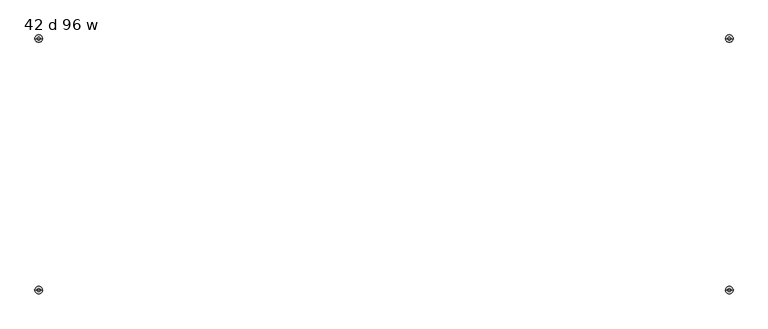
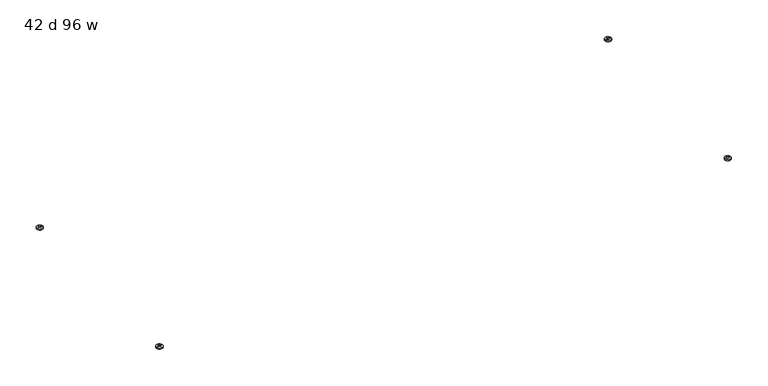
"""IFC4 building model written with IfcOpenShell, lengths in millimetres: furniture geometry, 42 d 96 w."""

from ifc_helpers import new_model, si_unit, point, frame, origin, place, context, project, spatial, circle_curve, ellipse_curve, trimmed, source, transform, mapped, element, save
from ifc_brep_helpers import plane_surface, cylinder_surface, revolved_surface, advanced_brep


def furniture_42_d_96_w_a3ed6f2b(model_context):
    return source(origin(), model_context, "Body", "AdvancedBrep", [
        advanced_brep(
        [(-1148.5322731, -419.8439953, 0.0), (-1153.6112333, -419.8439953, 0.0), (-1151.0717532, -419.8439953, 0.0), (-1138.374498, -419.8439953, 3.6684262), (-1163.7690084, -419.8439953, 3.6684262), (-1138.374498, -419.8439953, 7.8731999), (-1163.7690084, -419.8439953, 7.8731999), (-1146.3120222, -419.8439953, 7.8731999), (-1155.8314842, -419.8439953, 7.8731999), (-1146.3120222, -419.8439953, 12.2237497), (-1155.8314842, -419.8439953, 12.2237497), (-1151.0717532, -419.8439953, 12.2237497)],
        [
            (0, 1, circle_curve(frame((-1151.0717532, -419.8439953, 0.0), z_axis=(0.0, 0.0, -1.0), x_axis=(-1.0, 0.0, 0.0)), 2.5394801)),
            (1, 2),
            (2, 0),
            (1, 0, circle_curve(frame((-1151.0717532, -419.8439953, 0.0), z_axis=(0.0, 0.0, -1.0), x_axis=(-1.0, 0.0, 0.0)), 2.5394801)),
            (0, 3, circle_curve(frame((-1148.5322731, -419.8439953, 15.8975186), z_axis=(0.0, -1.0, 0.0), x_axis=(1.0, 0.0, 0.0)), 15.8975186)),
            (3, 4, circle_curve(frame((-1151.0717532, -419.8439953, 3.6684262), z_axis=(0.0, 0.0, -1.0), x_axis=(-1.0, 0.0, 0.0)), 12.6972552)),
            (4, 1, circle_curve(frame((-1153.6112333, -419.8439953, 15.8975186), z_axis=(0.0, -1.0, 0.0), x_axis=(-1.0, 0.0, 0.0)), 15.8975186)),
            (4, 3, circle_curve(frame((-1151.0717532, -419.8439953, 3.6684262), z_axis=(0.0, 0.0, -1.0), x_axis=(-1.0, 0.0, 0.0)), 12.6972552)),
            (3, 5),
            (5, 6, circle_curve(frame((-1151.0717532, -419.8439953, 7.8731999), z_axis=(0.0, 0.0, -1.0), x_axis=(-1.0, 0.0, 0.0)), 12.6972552)),
            (6, 4),
            (6, 5, circle_curve(frame((-1151.0717532, -419.8439953, 7.8731999), z_axis=(0.0, 0.0, -1.0), x_axis=(-1.0, 0.0, 0.0)), 12.6972552)),
            (5, 7),
            (7, 8, circle_curve(frame((-1151.0717532, -419.8439953, 7.8731999), z_axis=(0.0, 0.0, -1.0), x_axis=(-1.0, 0.0, 0.0)), 4.759731)),
            (8, 6),
            (8, 7, circle_curve(frame((-1151.0717532, -419.8439953, 7.8731999), z_axis=(0.0, 0.0, -1.0), x_axis=(-1.0, 0.0, 0.0)), 4.759731)),
            (7, 9),
            (9, 10, circle_curve(frame((-1151.0717532, -419.8439953, 12.2237497), z_axis=(0.0, 0.0, -1.0), x_axis=(-1.0, 0.0, 0.0)), 4.759731)),
            (10, 8),
            (10, 9, circle_curve(frame((-1151.0717532, -419.8439953, 12.2237497), z_axis=(0.0, 0.0, -1.0), x_axis=(-1.0, 0.0, 0.0)), 4.759731)),
            (9, 11),
            (11, 10),
        ],
        [
            plane_surface(frame((-1151.0717532, -419.8439953, 0.0), z_axis=(0.0, 0.0, -1.0), x_axis=(-1.0, 0.0, 0.0))),
            revolved_surface(trimmed(ellipse_curve(frame((-1153.6112333, -419.8439953, 15.8975186), z_axis=(0.0, 1.0, 0.0), x_axis=(-1.0, 0.0, 0.0)), 15.8975186, 15.8975186), [point((-1153.6112333, -419.8439953, 0.0))], [point((-1163.7690084, -419.8439953, 3.6684262))], True, "CARTESIAN"), (-1151.0717532, -419.8439953, 12.2237497), (0.0, 0.0, 1.0)),
            cylinder_surface(frame((-1151.0717532, -419.8439953, 12.2237497), z_axis=(0.0, 0.0, 1.0), x_axis=(-1.0, 0.0, 0.0)), 12.6972552),
            plane_surface(frame((-1151.0717532, -419.8439953, 7.8731999), z_axis=(0.0, 0.0, 1.0), x_axis=(-1.0, 0.0, 0.0))),
            cylinder_surface(frame((-1151.0717532, -419.8439953, 12.2237497), z_axis=(0.0, 0.0, 1.0), x_axis=(-1.0, 0.0, 0.0)), 4.759731),
            plane_surface(frame((-1151.0717532, -419.8439953, 12.2237497), z_axis=(0.0, 0.0, 1.0), x_axis=(-1.0, 0.0, 0.0))),
        ],
        [
            (0, [[1, 2, 3]]),
            (0, [[-2, 4, -3]]),
            (1, [[-1, 5, 6, 7]]),
            (1, [[-4, -7, 8, -5]]),
            (2, [[-6, 9, 10, 11]]),
            (2, [[-8, -11, 12, -9]]),
            (3, [[-10, 13, 14, 15]]),
            (3, [[-12, -15, 16, -13]]),
            (4, [[-14, 17, 18, 19]]),
            (4, [[-16, -19, 20, -17]]),
            (5, [[-18, 21, 22]]),
            (5, [[-20, -22, -21]]),
        ],
    ),
        advanced_brep(
        [(-1151.0717532, 419.8439953, 0.0), (-1153.6112333, 419.8439953, 0.0), (-1148.5322731, 419.8439953, 0.0), (-1163.7690084, 419.8439953, 3.6684262), (-1138.374498, 419.8439953, 3.6684262), (-1163.7690084, 419.8439953, 7.8731999), (-1138.374498, 419.8439953, 7.8731999), (-1155.8314842, 419.8439953, 7.8731999), (-1146.3120222, 419.8439953, 7.8731999), (-1155.8314842, 419.8439953, 12.2237497), (-1146.3120222, 419.8439953, 12.2237497), (-1151.0717532, 419.8439953, 12.2237497)],
        [
            (0, 1),
            (1, 2, circle_curve(frame((-1151.0717532, 419.8439953, 0.0), z_axis=(0.0, 0.0, -1.0), x_axis=(-1.0, 0.0, 0.0)), 2.5394801)),
            (2, 0),
            (2, 1, circle_curve(frame((-1151.0717532, 419.8439953, 0.0), z_axis=(0.0, 0.0, -1.0), x_axis=(-1.0, 0.0, 0.0)), 2.5394801)),
            (1, 3, circle_curve(frame((-1153.6112333, 419.8439953, 15.8975186), z_axis=(0.0, 1.0, 0.0), x_axis=(-1.0, 0.0, 0.0)), 15.8975186)),
            (3, 4, circle_curve(frame((-1151.0717532, 419.8439953, 3.6684262), z_axis=(0.0, 0.0, -1.0), x_axis=(-1.0, 0.0, 0.0)), 12.6972552)),
            (4, 2, circle_curve(frame((-1148.5322731, 419.8439953, 15.8975186), z_axis=(0.0, 1.0, 0.0), x_axis=(1.0, 0.0, 0.0)), 15.8975186)),
            (4, 3, circle_curve(frame((-1151.0717532, 419.8439953, 3.6684262), z_axis=(0.0, 0.0, -1.0), x_axis=(-1.0, 0.0, 0.0)), 12.6972552)),
            (3, 5),
            (5, 6, circle_curve(frame((-1151.0717532, 419.8439953, 7.8731999), z_axis=(0.0, 0.0, -1.0), x_axis=(-1.0, 0.0, 0.0)), 12.6972552)),
            (6, 4),
            (6, 5, circle_curve(frame((-1151.0717532, 419.8439953, 7.8731999), z_axis=(0.0, 0.0, -1.0), x_axis=(-1.0, 0.0, 0.0)), 12.6972552)),
            (5, 7),
            (7, 8, circle_curve(frame((-1151.0717532, 419.8439953, 7.8731999), z_axis=(0.0, 0.0, -1.0), x_axis=(-1.0, 0.0, 0.0)), 4.759731)),
            (8, 6),
            (8, 7, circle_curve(frame((-1151.0717532, 419.8439953, 7.8731999), z_axis=(0.0, 0.0, -1.0), x_axis=(-1.0, 0.0, 0.0)), 4.759731)),
            (7, 9),
            (9, 10, circle_curve(frame((-1151.0717532, 419.8439953, 12.2237497), z_axis=(0.0, 0.0, -1.0), x_axis=(-1.0, 0.0, 0.0)), 4.759731)),
            (10, 8),
            (10, 9, circle_curve(frame((-1151.0717532, 419.8439953, 12.2237497), z_axis=(0.0, 0.0, -1.0), x_axis=(-1.0, 0.0, 0.0)), 4.759731)),
            (9, 11),
            (11, 10),
        ],
        [
            plane_surface(frame((-1151.0717532, 419.8439953, 0.0), z_axis=(0.0, 0.0, -1.0), x_axis=(-1.0, 0.0, 0.0))),
            revolved_surface(trimmed(ellipse_curve(frame((-1153.6112333, 419.8439953, 15.8975186), z_axis=(0.0, -1.0, 0.0), x_axis=(-1.0, 0.0, 0.0)), 15.8975186, 15.8975186), [point((-1163.7690084, 419.8439953, 3.6684262))], [point((-1153.6112333, 419.8439953, 0.0))], True, "CARTESIAN"), (-1151.0717532, 419.8439953, 12.2237497), (0.0, 0.0, -1.0)),
            cylinder_surface(frame((-1151.0717532, 419.8439953, 12.2237497), z_axis=(0.0, 0.0, -1.0), x_axis=(-1.0, 0.0, 0.0)), 12.6972552),
            plane_surface(frame((-1151.0717532, 419.8439953, 7.8731999), z_axis=(0.0, 0.0, 1.0), x_axis=(-1.0, 0.0, 0.0))),
            cylinder_surface(frame((-1151.0717532, 419.8439953, 12.2237497), z_axis=(0.0, 0.0, -1.0), x_axis=(-1.0, 0.0, 0.0)), 4.759731),
            plane_surface(frame((-1151.0717532, 419.8439953, 12.2237497), z_axis=(0.0, 0.0, 1.0), x_axis=(-1.0, 0.0, 0.0))),
        ],
        [
            (0, [[1, 2, 3]]),
            (0, [[-1, -3, 4]]),
            (1, [[-2, 5, 6, 7]]),
            (1, [[-4, -7, 8, -5]]),
            (2, [[-6, 9, 10, 11]]),
            (2, [[-8, -11, 12, -9]]),
            (3, [[-10, 13, 14, 15]]),
            (3, [[-12, -15, 16, -13]]),
            (4, [[-14, 17, 18, 19]]),
            (4, [[-16, -19, 20, -17]]),
            (5, [[-18, 21, 22]]),
            (5, [[-20, -22, -21]]),
        ],
    ),
        advanced_brep(
        [(1151.0717532, -419.8439953, 0.0), (1153.6112333, -419.8439953, 0.0), (1148.5322731, -419.8439953, 0.0), (1163.7690084, -419.8439953, 3.6684262), (1138.374498, -419.8439953, 3.6684262), (1163.7690084, -419.8439953, 7.8731999), (1138.374498, -419.8439953, 7.8731999), (1155.8314842, -419.8439953, 7.8731999), (1146.3120222, -419.8439953, 7.8731999), (1155.8314842, -419.8439953, 12.2237497), (1146.3120222, -419.8439953, 12.2237497), (1151.0717532, -419.8439953, 12.2237497)],
        [
            (0, 1),
            (1, 2, circle_curve(frame((1151.0717532, -419.8439953, 0.0), z_axis=(0.0, 0.0, -1.0), x_axis=(1.0, 0.0, 0.0)), 2.5394801)),
            (2, 0),
            (2, 1, circle_curve(frame((1151.0717532, -419.8439953, 0.0), z_axis=(0.0, 0.0, -1.0), x_axis=(1.0, 0.0, 0.0)), 2.5394801)),
            (1, 3, circle_curve(frame((1153.6112333, -419.8439953, 15.8975186), z_axis=(0.0, -1.0, 0.0), x_axis=(-1.0, 0.0, 0.0)), 15.8975186)),
            (3, 4, circle_curve(frame((1151.0717532, -419.8439953, 3.6684262), z_axis=(0.0, 0.0, -1.0), x_axis=(1.0, 0.0, 0.0)), 12.6972552)),
            (4, 2, circle_curve(frame((1148.5322731, -419.8439953, 15.8975186), z_axis=(0.0, -1.0, 0.0), x_axis=(1.0, 0.0, 0.0)), 15.8975186)),
            (4, 3, circle_curve(frame((1151.0717532, -419.8439953, 3.6684262), z_axis=(0.0, 0.0, -1.0), x_axis=(1.0, 0.0, 0.0)), 12.6972552)),
            (3, 5),
            (5, 6, circle_curve(frame((1151.0717532, -419.8439953, 7.8731999), z_axis=(0.0, 0.0, -1.0), x_axis=(1.0, 0.0, 0.0)), 12.6972552)),
            (6, 4),
            (6, 5, circle_curve(frame((1151.0717532, -419.8439953, 7.8731999), z_axis=(0.0, 0.0, -1.0), x_axis=(1.0, 0.0, 0.0)), 12.6972552)),
            (5, 7),
            (7, 8, circle_curve(frame((1151.0717532, -419.8439953, 7.8731999), z_axis=(0.0, 0.0, -1.0), x_axis=(1.0, 0.0, 0.0)), 4.759731)),
            (8, 6),
            (8, 7, circle_curve(frame((1151.0717532, -419.8439953, 7.8731999), z_axis=(0.0, 0.0, -1.0), x_axis=(1.0, 0.0, 0.0)), 4.759731)),
            (7, 9),
            (9, 10, circle_curve(frame((1151.0717532, -419.8439953, 12.2237497), z_axis=(0.0, 0.0, -1.0), x_axis=(1.0, 0.0, 0.0)), 4.759731)),
            (10, 8),
            (10, 9, circle_curve(frame((1151.0717532, -419.8439953, 12.2237497), z_axis=(0.0, 0.0, -1.0), x_axis=(1.0, 0.0, 0.0)), 4.759731)),
            (9, 11),
            (11, 10),
        ],
        [
            plane_surface(frame((1151.0717532, -419.8439953, 0.0), z_axis=(0.0, 0.0, -1.0), x_axis=(1.0, 0.0, 0.0))),
            revolved_surface(trimmed(ellipse_curve(frame((1153.6112333, -419.8439953, 15.8975186), z_axis=(0.0, 1.0, 0.0), x_axis=(-1.0, 0.0, 0.0)), 15.8975186, 15.8975186), [point((1163.7690084, -419.8439953, 3.6684262))], [point((1153.6112333, -419.8439953, 0.0))], True, "CARTESIAN"), (1151.0717532, -419.8439953, 12.2237497), (0.0, 0.0, -1.0)),
            cylinder_surface(frame((1151.0717532, -419.8439953, 12.2237497), z_axis=(0.0, 0.0, -1.0), x_axis=(1.0, 0.0, 0.0)), 12.6972552),
            plane_surface(frame((1151.0717532, -419.8439953, 7.8731999), z_axis=(0.0, 0.0, 1.0), x_axis=(1.0, 0.0, 0.0))),
            cylinder_surface(frame((1151.0717532, -419.8439953, 12.2237497), z_axis=(0.0, 0.0, -1.0), x_axis=(1.0, 0.0, 0.0)), 4.759731),
            plane_surface(frame((1151.0717532, -419.8439953, 12.2237497), z_axis=(0.0, 0.0, 1.0), x_axis=(1.0, 0.0, 0.0))),
        ],
        [
            (0, [[1, 2, 3]]),
            (0, [[-1, -3, 4]]),
            (1, [[-2, 5, 6, 7]]),
            (1, [[-4, -7, 8, -5]]),
            (2, [[-6, 9, 10, 11]]),
            (2, [[-8, -11, 12, -9]]),
            (3, [[-10, 13, 14, 15]]),
            (3, [[-12, -15, 16, -13]]),
            (4, [[-14, 17, 18, 19]]),
            (4, [[-16, -19, 20, -17]]),
            (5, [[-18, 21, 22]]),
            (5, [[-20, -22, -21]]),
        ],
    ),
        advanced_brep(
        [(1148.5322731, 419.8439953, 0.0), (1153.6112333, 419.8439953, 0.0), (1151.0717532, 419.8439953, 0.0), (1138.374498, 419.8439953, 3.6684262), (1163.7690084, 419.8439953, 3.6684262), (1138.374498, 419.8439953, 7.8731999), (1163.7690084, 419.8439953, 7.8731999), (1146.3120222, 419.8439953, 7.8731999), (1155.8314842, 419.8439953, 7.8731999), (1146.3120222, 419.8439953, 12.2237497), (1155.8314842, 419.8439953, 12.2237497), (1151.0717532, 419.8439953, 12.2237497)],
        [
            (0, 1, circle_curve(frame((1151.0717532, 419.8439953, 0.0), z_axis=(0.0, 0.0, -1.0), x_axis=(1.0, 0.0, 0.0)), 2.5394801)),
            (1, 2),
            (2, 0),
            (1, 0, circle_curve(frame((1151.0717532, 419.8439953, 0.0), z_axis=(0.0, 0.0, -1.0), x_axis=(1.0, 0.0, 0.0)), 2.5394801)),
            (0, 3, circle_curve(frame((1148.5322731, 419.8439953, 15.8975186), z_axis=(0.0, 1.0, 0.0), x_axis=(1.0, 0.0, 0.0)), 15.8975186)),
            (3, 4, circle_curve(frame((1151.0717532, 419.8439953, 3.6684262), z_axis=(0.0, 0.0, -1.0), x_axis=(1.0, 0.0, 0.0)), 12.6972552)),
            (4, 1, circle_curve(frame((1153.6112333, 419.8439953, 15.8975186), z_axis=(0.0, 1.0, 0.0), x_axis=(-1.0, 0.0, 0.0)), 15.8975186)),
            (4, 3, circle_curve(frame((1151.0717532, 419.8439953, 3.6684262), z_axis=(0.0, 0.0, -1.0), x_axis=(1.0, 0.0, 0.0)), 12.6972552)),
            (3, 5),
            (5, 6, circle_curve(frame((1151.0717532, 419.8439953, 7.8731999), z_axis=(0.0, 0.0, -1.0), x_axis=(1.0, 0.0, 0.0)), 12.6972552)),
            (6, 4),
            (6, 5, circle_curve(frame((1151.0717532, 419.8439953, 7.8731999), z_axis=(0.0, 0.0, -1.0), x_axis=(1.0, 0.0, 0.0)), 12.6972552)),
            (5, 7),
            (7, 8, circle_curve(frame((1151.0717532, 419.8439953, 7.8731999), z_axis=(0.0, 0.0, -1.0), x_axis=(1.0, 0.0, 0.0)), 4.759731)),
            (8, 6),
            (8, 7, circle_curve(frame((1151.0717532, 419.8439953, 7.8731999), z_axis=(0.0, 0.0, -1.0), x_axis=(1.0, 0.0, 0.0)), 4.759731)),
            (7, 9),
            (9, 10, circle_curve(frame((1151.0717532, 419.8439953, 12.2237497), z_axis=(0.0, 0.0, -1.0), x_axis=(1.0, 0.0, 0.0)), 4.759731)),
            (10, 8),
            (10, 9, circle_curve(frame((1151.0717532, 419.8439953, 12.2237497), z_axis=(0.0, 0.0, -1.0), x_axis=(1.0, 0.0, 0.0)), 4.759731)),
            (9, 11),
            (11, 10),
        ],
        [
            plane_surface(frame((1151.0717532, 419.8439953, 0.0), z_axis=(0.0, 0.0, -1.0), x_axis=(1.0, 0.0, 0.0))),
            revolved_surface(trimmed(ellipse_curve(frame((1153.6112333, 419.8439953, 15.8975186), z_axis=(0.0, -1.0, 0.0), x_axis=(-1.0, 0.0, 0.0)), 15.8975186, 15.8975186), [point((1153.6112333, 419.8439953, 0.0))], [point((1163.7690084, 419.8439953, 3.6684262))], True, "CARTESIAN"), (1151.0717532, 419.8439953, 12.2237497), (0.0, 0.0, 1.0)),
            cylinder_surface(frame((1151.0717532, 419.8439953, 12.2237497), z_axis=(0.0, 0.0, 1.0), x_axis=(1.0, 0.0, 0.0)), 12.6972552),
            plane_surface(frame((1151.0717532, 419.8439953, 7.8731999), z_axis=(0.0, 0.0, 1.0), x_axis=(1.0, 0.0, 0.0))),
            cylinder_surface(frame((1151.0717532, 419.8439953, 12.2237497), z_axis=(0.0, 0.0, 1.0), x_axis=(1.0, 0.0, 0.0)), 4.759731),
            plane_surface(frame((1151.0717532, 419.8439953, 12.2237497), z_axis=(0.0, 0.0, 1.0), x_axis=(1.0, 0.0, 0.0))),
        ],
        [
            (0, [[1, 2, 3]]),
            (0, [[-2, 4, -3]]),
            (1, [[-1, 5, 6, 7]]),
            (1, [[-4, -7, 8, -5]]),
            (2, [[-6, 9, 10, 11]]),
            (2, [[-8, -11, 12, -9]]),
            (3, [[-10, 13, 14, 15]]),
            (3, [[-12, -15, 16, -13]]),
            (4, [[-14, 17, 18, 19]]),
            (4, [[-16, -19, 20, -17]]),
            (5, [[-18, 21, 22]]),
            (5, [[-20, -22, -21]]),
        ],
    ),
    ])


if __name__ == "__main__":
    model = new_model("IFC4")
    model_context = context("Model", 3, world=origin())
    ifc_project = project(units=[si_unit("LENGTHUNIT", "METRE", prefix="MILLI")], contexts=[model_context])
    site = spatial("IfcSite", under=ifc_project)
    building = spatial("IfcBuilding", under=site)
    placement = place(None, origin())
    furniture_42_d_96_w_shape = furniture_42_d_96_w_a3ed6f2b(model_context)
    element("IfcFurniture", 1, ObjectType="42 d 96 w", at=placement, inside=building, context=model_context, shape_type="MappedRepresentation", body=[
        mapped(furniture_42_d_96_w_shape, transform((0.0, 0.0, 0.0), x_axis=(1.0, 0.0, 0.0), y_axis=(0.0, 1.0, 0.0), z_axis=(0.0, 0.0, 1.0))),
    ])
    save(model, "model.ifc")
